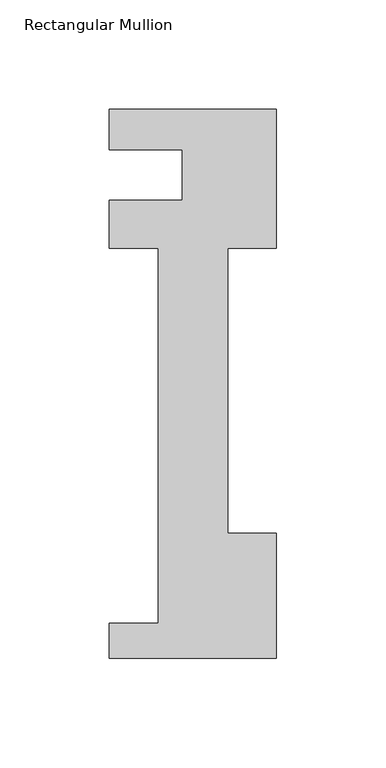
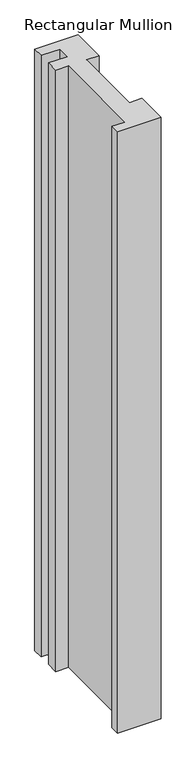
"""IFC4 building model written with IfcOpenShell, lengths in millimetres: member geometry, Rectangular Mullion."""

import ifcopenshell
import ifcopenshell.guid

model = None  # the IFC model being written
_history = None  # IfcOwnerHistory: only IFC2X3 demands one
_inside = {}  # id of a spatial element -> (the spatial element, [elements in it])
_under = {}  # id of a project, library or spatial element -> (it, [spatial elements below it])
_declared = {}  # id of a project -> (the project, [libraries it declares])
_typed = {}  # id of a type object -> (the type object, [elements of that type])
_made_of = {}  # id of a material, layer set ... -> (it, [elements and type objects made of it])


def new_model(schema):
    """Start an empty IFC model of exactly this schema.

    Asked for "IFC4X3", IfcOpenShell would pick the latest addendum, in which some entities
    have other attributes; the version numbers below select the first issue.
    IFC2X3 requires an IfcOwnerHistory on every rooted entity: one is made here for all.
    """
    global model, _history
    if schema == "IFC4X3":
        model = ifcopenshell.file(schema_version=(4, 3, 0, 0))
    else:
        model = ifcopenshell.file(schema=schema)
    _inside.clear()
    _under.clear()
    _declared.clear()
    _typed.clear()
    _made_of.clear()
    _history = None
    if model.schema == "IFC2X3":
        org = make("IfcOrganization", Name="unknown")
        user = make(
            "IfcPersonAndOrganization",
            ThePerson=make("IfcPerson", FamilyName="unknown"),
            TheOrganization=org,
        )
        app = make(
            "IfcApplication",
            ApplicationDeveloper=org,
            Version="unknown",
            ApplicationFullName="unknown",
            ApplicationIdentifier="unknown",
        )
        _history = make(
            "IfcOwnerHistory",
            OwningUser=user,
            OwningApplication=app,
            ChangeAction="ADDED",
            CreationDate=0,
        )
    return model


def make(cls, **values):
    """One entity of the class cls with the attributes given. An attribute that is None is left unset."""
    return model.create_entity(
        cls, **{name: value for name, value in values.items() if value is not None}
    )


def rooted(cls, **values):
    """An entity with a GlobalId (a new one), such as an element, a storey or a relation."""
    return make(cls, GlobalId=ifcopenshell.guid.new(), OwnerHistory=_history, **values)


def si_unit(unit_type, name, prefix=None):
    """IfcSIUnit, for example si_unit("LENGTHUNIT", "METRE", prefix="MILLI")."""
    return make("IfcSIUnit", UnitType=unit_type, Prefix=prefix, Name=name)


def assignment(units):
    """IfcUnitAssignment: the units of a project."""
    return None if units is None else make("IfcUnitAssignment", Units=units)


def point(xyz):
    """IfcCartesianPoint."""
    return None if xyz is None else make("IfcCartesianPoint", Coordinates=xyz)


def direction(xyz):
    """IfcDirection."""
    return None if xyz is None else make("IfcDirection", DirectionRatios=xyz)


def frame(location, z_axis=None, x_axis=None):
    """IfcAxis2Placement3D, a coordinate frame: its origin and axes. An axis left out is left unset."""
    return make(
        "IfcAxis2Placement3D",
        Location=point(location),
        Axis=direction(z_axis),
        RefDirection=direction(x_axis),
    )


def origin():
    """The frame at (0, 0, 0) with its axes left unset."""
    return frame((0.0, 0.0, 0.0))


def place(relative_to, where):
    """IfcLocalPlacement: puts the frame where relative to a parent placement (None: the world)."""
    return make(
        "IfcLocalPlacement", PlacementRelTo=relative_to, RelativePlacement=where
    )


def context(
    kind, dimensions, precision=None, world=None, true_north=None, identifier=None
):
    """IfcGeometricRepresentationContext, for example the 3D "Model" context."""
    return make(
        "IfcGeometricRepresentationContext",
        ContextIdentifier=identifier,
        ContextType=kind,
        CoordinateSpaceDimension=dimensions,
        Precision=precision,
        WorldCoordinateSystem=world,
        TrueNorth=true_north,
    )


def project(units=None, contexts=None):
    """IfcProject with its units and contexts."""
    return rooted(
        "IfcProject",
        Name="project",
        RepresentationContexts=contexts,
        UnitsInContext=assignment(units),
    )


def spatial(cls, under=None, at=None, **own):
    """A site, building, storey or space (cls), placed at a placement, below another one or the project."""
    s = rooted(cls, ObjectPlacement=at, **own)
    if under is not None:
        _under.setdefault(under.id(), (under, []))[1].append(s)
    return s


def polyline(points):
    """IfcPolyline through the points."""
    return make("IfcPolyline", Points=[point(p) for p in points])


def outline(outer, holes=None, kind="AREA"):
    """IfcArbitraryClosedProfileDef: a profile drawn as a closed curve; with holes, ...WithVoids."""
    if holes is None:
        return make("IfcArbitraryClosedProfileDef", ProfileType=kind, OuterCurve=outer)
    return make(
        "IfcArbitraryProfileDefWithVoids",
        ProfileType=kind,
        OuterCurve=outer,
        InnerCurves=holes,
    )


def extrude(swept, where, along, depth):
    """IfcExtrudedAreaSolid: the profile swept, set in the frame where, extruded along a direction by depth."""
    return make(
        "IfcExtrudedAreaSolid",
        SweptArea=swept,
        Position=where,
        ExtrudedDirection=direction(along),
        Depth=depth,
    )


def shape(context_of_items, identifier, shape_type, items):
    """IfcShapeRepresentation: the items that make up one representation, for example the "Body"."""
    return make(
        "IfcShapeRepresentation",
        ContextOfItems=context_of_items,
        RepresentationIdentifier=identifier,
        RepresentationType=shape_type,
        Items=items,
    )


def source(mapping_origin, context_of_items, identifier, shape_type, items):
    """IfcRepresentationMap: a shape defined once, which mapped items show again and again."""
    return make(
        "IfcRepresentationMap",
        MappingOrigin=mapping_origin,
        MappedRepresentation=shape(context_of_items, identifier, shape_type, items),
    )


def transform(
    local_origin,
    x_axis=None,
    y_axis=None,
    z_axis=None,
    scale=None,
    scale2=None,
    scale3=None,
    uniform=True,
):
    """IfcCartesianTransformationOperator3D, or its non-uniform kind. x_axis, y_axis, z_axis: its Axis1, 2, 3."""
    if uniform:
        return make(
            "IfcCartesianTransformationOperator3D",
            Axis1=direction(x_axis),
            Axis2=direction(y_axis),
            LocalOrigin=point(local_origin),
            Scale=scale,
            Axis3=direction(z_axis),
        )
    return make(
        "IfcCartesianTransformationOperator3DnonUniform",
        Axis1=direction(x_axis),
        Axis2=direction(y_axis),
        LocalOrigin=point(local_origin),
        Scale=scale,
        Axis3=direction(z_axis),
        Scale2=scale2,
        Scale3=scale3,
    )


def mapped(mapping_source, mapping_target):
    """IfcMappedItem: shows the shape of a source again, moved by a transform."""
    return make(
        "IfcMappedItem", MappingSource=mapping_source, MappingTarget=mapping_target
    )


def made_of(thing, what):
    """Note that an element or type object is made of a material, layer set ...; save() writes the relation."""
    if what is not None:
        _made_of.setdefault(what.id(), (what, []))[1].append(thing)
    return thing


def element(
    cls,
    number,
    at=None,
    inside=None,
    cuts=None,
    type_object=None,
    material=None,
    context=None,
    identifier="Body",
    shape_type=None,
    held_by="IfcProductDefinitionShape",
    body=None,
    shapes=None,
    **own,
):
    """One element of the class cls, such as IfcWall. Its Tag is "e" and its number.

    at: its placement. inside: the storey or other place that contains it. cuts: it is an
    opening in that element (IfcRelVoidsElement). A single representation is given by context,
    identifier, shape_type and body (its items); several are given by shapes. held_by: the class
    of the entity that holds the representations. save() writes the other relations.
    """
    e = rooted(cls, Tag="e%d" % number, ObjectPlacement=at, **own)
    if body is not None:
        shapes = [shape(context, identifier, shape_type, body)]
    if shapes is not None:
        e.Representation = make(held_by, Representations=shapes)
    if inside is not None:
        _inside.setdefault(inside.id(), (inside, []))[1].append(e)
    if cuts is not None:
        rooted(
            "IfcRelVoidsElement", RelatingBuildingElement=cuts, RelatedOpeningElement=e
        )
    if type_object is not None:
        _typed.setdefault(type_object.id(), (type_object, []))[1].append(e)
    return made_of(e, material)


def aggregate(whole, parts):
    """IfcRelAggregates: a whole, such as a stair, and the parts it consists of."""
    return rooted("IfcRelAggregates", RelatingObject=whole, RelatedObjects=parts)


def save(model, path):
    """Write the relations noted so far, then the file.

    IfcRelAggregates (storeys below a building ...), IfcRelContainedInSpatialStructure (elements
    in a storey), IfcRelDefinesByType, IfcRelAssociatesMaterial and IfcRelDeclares: one each for
    every whole, place, type object, material and project.
    """
    for whole, parts in _under.values():
        aggregate(whole, parts)
    for where, things in _inside.values():
        rooted(
            "IfcRelContainedInSpatialStructure",
            RelatedElements=things,
            RelatingStructure=where,
        )
    for kind, things in _typed.values():
        rooted("IfcRelDefinesByType", RelatedObjects=things, RelatingType=kind)
    for what, things in _made_of.values():
        rooted("IfcRelAssociatesMaterial", RelatedObjects=things, RelatingMaterial=what)
    for by, libraries in _declared.values():
        rooted("IfcRelDeclares", RelatingContext=by, RelatedDefinitions=libraries)
    model.write(path)


def rectangular_mullion_116e4ce8(model_context):
    return source(origin(), model_context, "Body", "SweptSolid", [
        extrude(outline(polyline([(-76.2, -221.996), (-76.2, -206.121), (-53.975, -206.121), (-53.975, -34.671), (-76.2, -34.671), (-76.2, -12.7), (-42.8625, -12.7), (-42.8625, 10.3191857), (-76.2, 10.3191857), (-76.2, 28.8080986), (0.0, 28.8080986), (0.0, -34.671), (-22.225, -34.671), (-22.225, -164.8220701), (0.0, -164.8220701), (0.0, -221.996), (-76.2, -221.996)])), frame((0.0, 0.0, -1111.7242824), z_axis=(0.0, 0.0, 1.0), x_axis=(1.0, 0.0, 0.0)), (0.0, 0.0, 1.0), 1111.7242824),
    ])


if __name__ == "__main__":
    model = new_model("IFC4")
    model_context = context("Model", 3, world=origin())
    ifc_project = project(units=[si_unit("LENGTHUNIT", "METRE", prefix="MILLI")], contexts=[model_context])
    site = spatial("IfcSite", under=ifc_project)
    building = spatial("IfcBuilding", under=site)
    placement = place(None, origin())
    rectangular_mullion_shape = rectangular_mullion_116e4ce8(model_context)
    element("IfcMember", 1, ObjectType="Rectangular Mullion", at=placement, inside=building, context=model_context, shape_type="MappedRepresentation", body=[
        mapped(rectangular_mullion_shape, transform((0.0, 0.0, 0.0), x_axis=(1.0, 0.0, 0.0), y_axis=(0.0, 1.0, 0.0), z_axis=(0.0, 0.0, 1.0))),
    ])
    save(model, "model.ifc")
